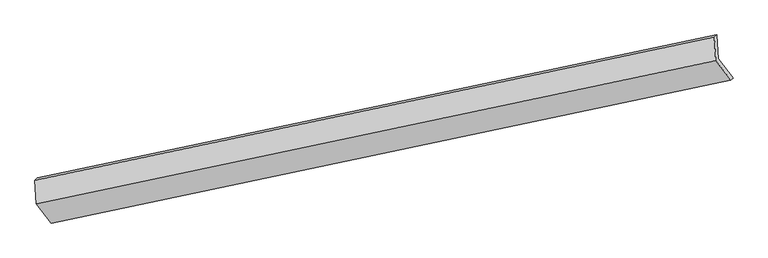
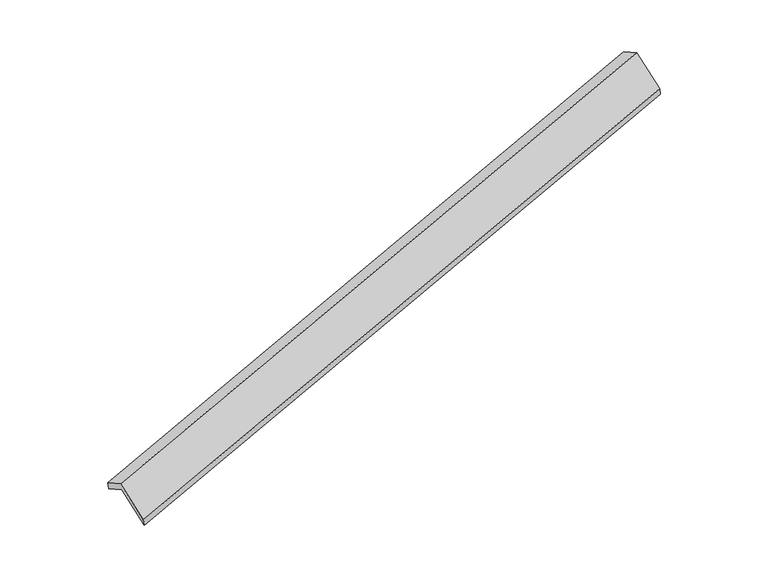
"""IFC4 building model written with IfcOpenShell, lengths in millimetres: proxy geometry."""

from ifc_helpers import new_model, si_unit, origin, place, context, project, spatial, faceted_brep, source, transform, mapped, element, save


def generic_models_e6fd676d(model_context):
    return source(origin(), model_context, "Body", "Brep", [
        faceted_brep([(-8637.3049238, -2721.6247083, 433.6443979), (-8658.4652511, -2318.7045289, 218.6388471), (2776.6369141, 94.8378596, 3616.1996291), (2797.7972414, -308.0823198, 3831.20518), (-8696.6007884, -2358.0987343, 375.7119259), (2738.5013767, 55.4436542, 3773.2727079), (-8675.8393406, -2753.4237282, 586.6645474), (2759.2628245, -339.8813397, 3984.2253294), (-8419.7224944, -3078.910288, -48.5033299), (3015.3796708, -665.3678995, 3349.0574521), (-8383.4892782, -3044.1867829, -195.8165186), (3051.6128869, -630.6443944, 3201.7442634)], [[[0, 1, 2, 3]], [[1, 4, 5, 2]], [[4, 6, 7, 5]], [[6, 8, 9, 7]], [[8, 10, 11, 9]], [[10, 0, 3, 11]], [[9, 11, 3, 2, 5, 7]], [[0, 10, 8, 6, 4, 1]]]),
    ])


if __name__ == "__main__":
    model = new_model("IFC4")
    model_context = context("Model", 3, world=origin())
    ifc_project = project(units=[si_unit("LENGTHUNIT", "METRE", prefix="MILLI")], contexts=[model_context])
    site = spatial("IfcSite", under=ifc_project)
    building = spatial("IfcBuilding", under=site)
    placement = place(None, origin())
    generic_models_shape = generic_models_e6fd676d(model_context)
    element("IfcBuildingElementProxy", 1, Name="Generic Models", at=placement, inside=building, context=model_context, shape_type="MappedRepresentation", body=[
        mapped(generic_models_shape, transform((0.0, 0.0, 0.0), x_axis=(1.0, 0.0, 0.0), y_axis=(0.0, 1.0, 0.0), z_axis=(0.0, 0.0, 1.0))),
    ])
    save(model, "model.ifc")
